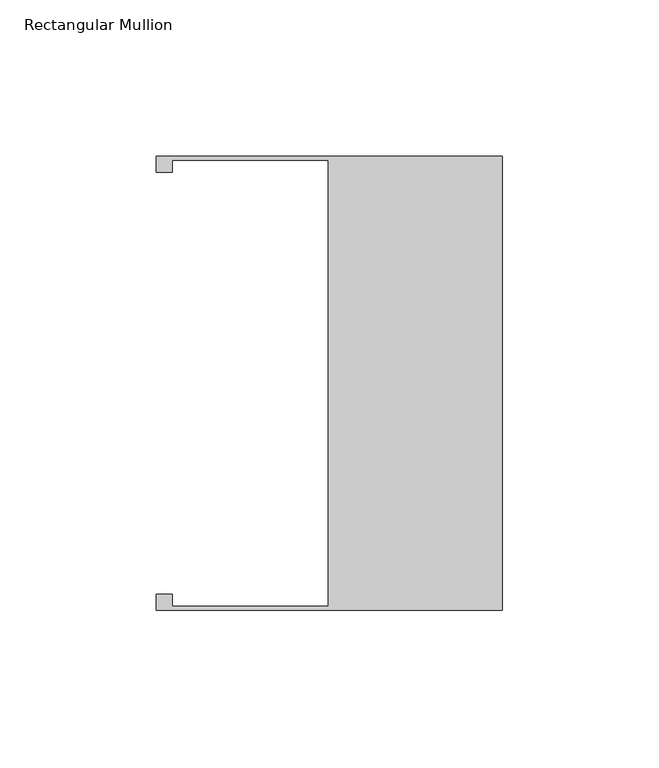
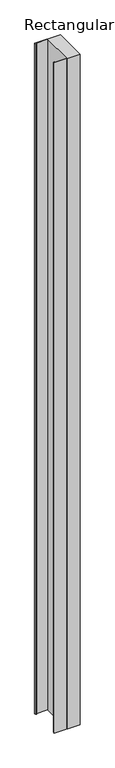
"""IFC4 building model written with IfcOpenShell, lengths in millimetres: member geometry, Rectangular Mullion."""

from ifc_helpers import new_model, si_unit, frame, origin, place, context, project, spatial, polyline, outline, extrude, source, transform, mapped, element, save


def rectangular_mullion_6f3a90b4(model_context):
    return source(origin(), model_context, "Body", "SweptSolid", [
        extrude(outline(polyline([(0.0, -72.5785156), (-110.744, -72.5785156), (-110.744, -67.5060265), (-105.664, -67.5060265), (-105.664, -71.3085156), (-55.739, -71.3085156), (-55.739, 71.308169), (-105.664, 71.308169), (-105.664, 67.506169), (-110.744, 67.506169), (-110.744, 72.5785156), (0.0, 72.5785156), (0.0, -72.5785156)])), frame((0.0, 0.0, -3048.0), z_axis=(0.0, 0.0, 1.0), x_axis=(1.0, 0.0, 0.0)), (0.0, 0.0, 1.0), 3048.0),
    ])


if __name__ == "__main__":
    model = new_model("IFC4")
    model_context = context("Model", 3, world=origin())
    ifc_project = project(units=[si_unit("LENGTHUNIT", "METRE", prefix="MILLI")], contexts=[model_context])
    site = spatial("IfcSite", under=ifc_project)
    building = spatial("IfcBuilding", under=site)
    placement = place(None, origin())
    rectangular_mullion_shape = rectangular_mullion_6f3a90b4(model_context)
    element("IfcMember", 1, ObjectType="Rectangular Mullion", at=placement, inside=building, context=model_context, shape_type="MappedRepresentation", body=[
        mapped(rectangular_mullion_shape, transform((0.0, 0.0, 0.0), x_axis=(1.0, 0.0, 0.0), y_axis=(0.0, 1.0, 0.0), z_axis=(0.0, 0.0, 1.0))),
    ])
    save(model, "model.ifc")
